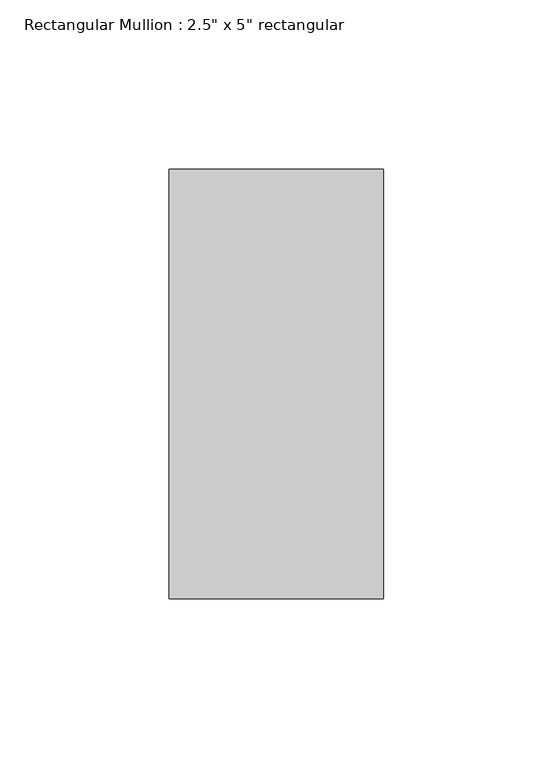
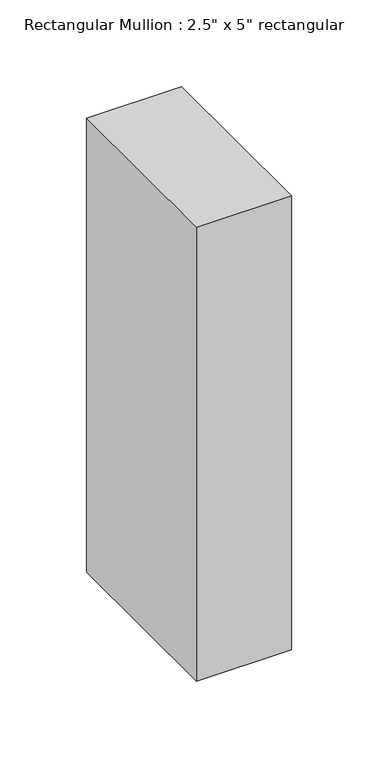
"""IFC4 building model written with IfcOpenShell, lengths in millimetres: member geometry."""

from ifc_helpers import new_model, si_unit, frame, origin, place, context, project, spatial, polyline, outline, extrude, source, transform, mapped, element, save


def member_a90c6bbb(model_context):
    return source(origin(), model_context, "Body", "SweptSolid", [
        extrude(outline(polyline([(31.75, 63.5), (31.75, -63.5), (-31.75, -63.5), (-31.75, 63.5), (31.75, 63.5)])), frame((0.0, 0.0, -320.0768665), z_axis=(0.0, 0.0, 1.0), x_axis=(1.0, 0.0, 0.0)), (0.0, 0.0, 1.0), 320.0768665),
    ])


if __name__ == "__main__":
    model = new_model("IFC4")
    model_context = context("Model", 3, world=origin())
    ifc_project = project(units=[si_unit("LENGTHUNIT", "METRE", prefix="MILLI")], contexts=[model_context])
    site = spatial("IfcSite", under=ifc_project)
    building = spatial("IfcBuilding", under=site)
    placement = place(None, origin())
    member_shape = member_a90c6bbb(model_context)
    element("IfcMember", 1, ObjectType="Rectangular Mullion : 2.5\" x 5\" rectangular", at=placement, inside=building, context=model_context, shape_type="MappedRepresentation", body=[
        mapped(member_shape, transform((0.0, 0.0, 0.0), x_axis=(1.0, 0.0, 0.0), y_axis=(0.0, 1.0, 0.0), z_axis=(0.0, 0.0, 1.0))),
    ])
    save(model, "model.ifc")
